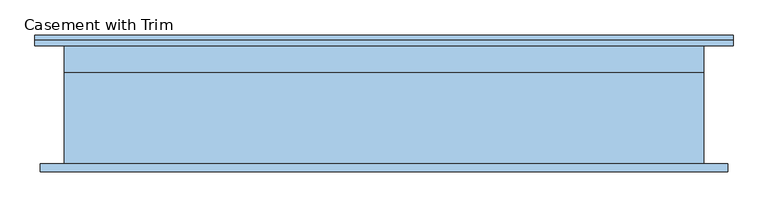
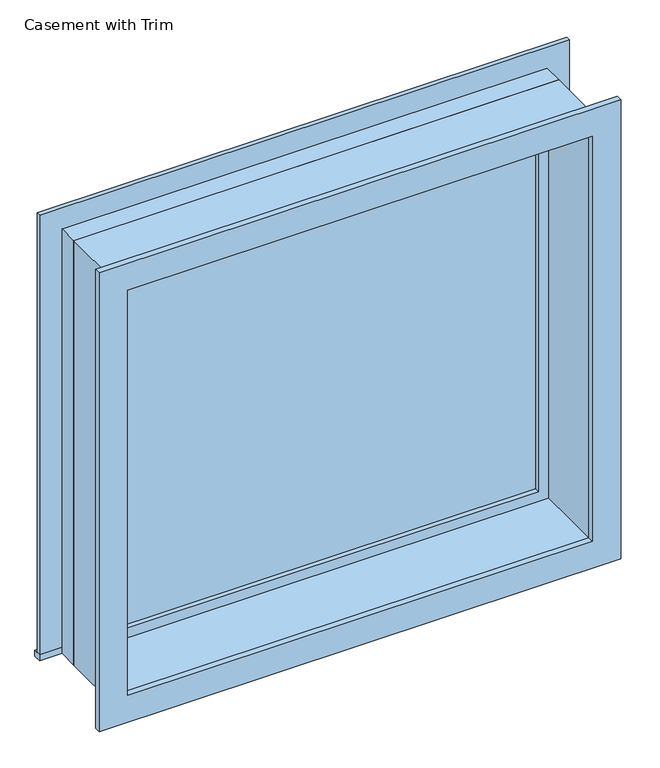
"""IFC4 building model written with IfcOpenShell, lengths in millimetres: window geometry, Casement with Trim."""

from ifc_helpers import new_model, si_unit, frame, origin, place, context, project, spatial, polyline, outline, extrude, source, transform, mapped, element, save


def casement_with_trim_ee951c77(model_context):
    return source(origin(), model_context, "Body", "SweptSolid", [
        extrude(outline(polyline([(-825.5, 165.1), (825.5, 165.1), (825.5, 139.7), (-825.5, 139.7), (-825.5, 165.1)])), frame((0.0, 0.0, 609.6), z_axis=(0.0, 0.0, 1.0), x_axis=(1.0, 0.0, 0.0)), (0.0, 0.0, 1.0), 19.05),
        extrude(outline(polyline([(1987.55, -736.6), (1987.55, 736.6), (628.65, 736.6), (628.65, 825.5), (2076.45, 825.5), (2076.45, -825.5), (628.65, -825.5), (628.65, -736.6), (1987.55, -736.6)])), frame((0.0, 139.7, 0.0), z_axis=(0.0, 1.0, 0.0), x_axis=(0.0, 0.0, 1.0)), (0.0, 0.0, 1.0), 12.7),
        extrude(outline(polyline([(2063.75, 812.8), (2063.75, -812.8), (552.45, -812.8), (552.45, 812.8), (2063.75, 812.8)]), holes=[polyline([(1974.85, 723.9), (641.35, 723.9), (641.35, -723.9), (1974.85, -723.9), (1974.85, 723.9)])]), frame((0.0, -158.75, 0.0), z_axis=(0.0, 1.0, 0.0), x_axis=(0.0, 0.0, 1.0)), (0.0, 0.0, 1.0), 19.05),
        extrude(outline(polyline([(692.15, 92.075), (-692.15, 92.075), (-692.15, 104.775), (692.15, 104.775), (692.15, 92.075)])), frame((0.0, 0.0, 673.1), z_axis=(0.0, 0.0, 1.0), x_axis=(1.0, 0.0, 0.0)), (0.0, 0.0, 1.0), 1270.0),
        extrude(outline(polyline([(1987.55, -736.6), (628.65, -736.6), (628.65, 736.6), (1987.55, 736.6), (1987.55, -736.6)]), holes=[polyline([(1943.1, -692.15), (1943.1, 692.15), (673.1, 692.15), (673.1, -692.15), (1943.1, -692.15)])]), frame((0.0, 76.2, 0.0), z_axis=(0.0, 1.0, 0.0), x_axis=(0.0, 0.0, 1.0)), (0.0, 0.0, 1.0), 44.45),
        extrude(outline(polyline([(2006.6, -755.65), (609.6, -755.65), (609.6, 755.65), (2006.6, 755.65), (2006.6, -755.65)]), holes=[polyline([(1974.85, -723.9), (1974.85, 723.9), (641.35, 723.9), (641.35, -723.9), (1974.85, -723.9)])]), frame((0.0, -139.7, 0.0), z_axis=(0.0, 1.0, 0.0), x_axis=(0.0, 0.0, 1.0)), (0.0, 0.0, 1.0), 215.9),
        extrude(outline(polyline([(2006.6, 755.65), (2006.6, -755.65), (609.6, -755.65), (609.6, 755.65), (2006.6, 755.65)]), holes=[polyline([(1987.55, 736.6), (628.65, 736.6), (628.65, -736.6), (1987.55, -736.6), (1987.55, 736.6)])]), frame((0.0, 76.2, 0.0), z_axis=(0.0, 1.0, 0.0), x_axis=(0.0, 0.0, 1.0)), (0.0, 0.0, 1.0), 63.5),
    ])


if __name__ == "__main__":
    model = new_model("IFC4")
    model_context = context("Model", 3, world=origin())
    ifc_project = project(units=[si_unit("LENGTHUNIT", "METRE", prefix="MILLI")], contexts=[model_context])
    site = spatial("IfcSite", under=ifc_project)
    building = spatial("IfcBuilding", under=site)
    placement = place(None, origin())
    casement_with_trim_shape = casement_with_trim_ee951c77(model_context)
    element("IfcWindow", 1, ObjectType="Casement with Trim", at=placement, inside=building, context=model_context, shape_type="MappedRepresentation", body=[
        mapped(casement_with_trim_shape, transform((0.0, 0.0, 0.0), x_axis=(1.0, 0.0, 0.0), y_axis=(0.0, 1.0, 0.0), z_axis=(0.0, 0.0, 1.0))),
    ])
    save(model, "model.ifc")
